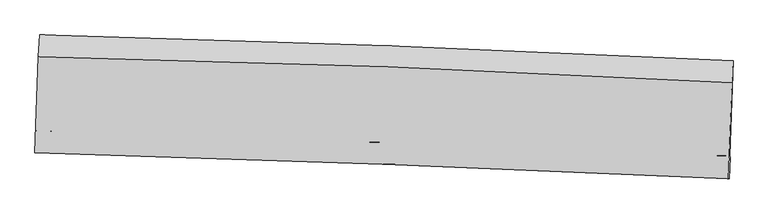
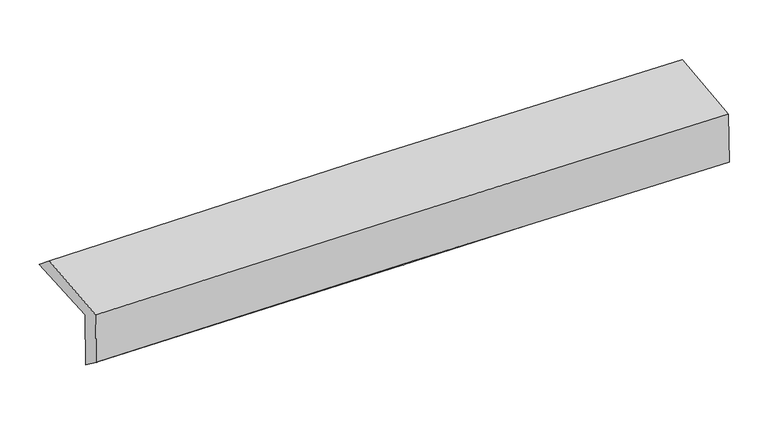
"""IFC4 building model written with IfcOpenShell, lengths in millimetres: proxy geometry."""

from ifc_helpers import new_model, si_unit, frame, origin, place, context, project, spatial, source, transform, mapped, element, save
from ifc_brep_helpers import plane_surface, spline_curve, spline_surface, advanced_brep


def generic_models_8d8ef0cd(model_context):
    return source(origin(), model_context, "Body", "AdvancedBrep", [
        advanced_brep(
        [(-2396.4014033, -1710.4098636, 2012.7225771), (-2371.6839319, -1053.3670898, 2013.5166799), (2386.2681468, -1229.5306232, 2090.151499), (2361.8467036, -1883.0142916, 2083.8126024), (-2390.8017496, -1709.3154461, 1602.7287244), (2367.0090951, -1891.9036668, 1678.534502), (-2397.9315797, -1858.3701797, 1714.8485456), (2359.9497079, -2040.5586953, 1788.0012698), (-2403.3057041, -1860.5284042, 2105.2541496), (2354.688373, -2039.9305668, 2177.7286198), (-2378.9619277, -1202.6892477, 2135.8228656), (2378.8397725, -1382.9471785, 2213.6603203)],
        [
            (0, 1),
            (1, 2, spline_curve(3, [(-2371.6839319, -1053.3670898, 2013.5166799), (-1574.819916736, -1073.884807185, 2011.842151913), (-778.231517209, -1098.904265007, 2017.448267376), (807.747927703, -1157.700273279, 2043.114230167), (1597.143554241, -1191.401993536, 2063.053054552), (2386.2681468, -1229.5306232, 2090.151499)], [4, 2, 4], [0.0, 7.844548828774865, 15.623626097386387])),
            (2, 3),
            (3, 0, spline_curve(3, [(2361.8467036, -1883.0142916, 2083.8126024), (1572.47832954, -1849.990524515, 2059.479056975), (782.935838666, -1819.14604361, 2041.386677143), (-803.143920342, -1761.574396421, 2017.584504101), (-1599.684131927, -1734.884068092, 2011.980209006), (-2396.4014033, -1710.4098636, 2012.7225771)], [4, 2, 4], [0.0, 7.7790772686115215, 15.623626097386387])),
            (4, 0),
            (3, 5),
            (5, 4, spline_curve(3, [(2367.0090951, -1891.9036668, 1678.534502), (1577.814101317, -1853.90384487, 1655.163671871), (788.394797429, -1819.73588574, 1637.164973857), (-797.53835896, -1758.808373576, 1611.80557335), (-1594.056003509, -1732.11359239, 1604.535678577), (-2390.8017496, -1709.3154461, 1602.7287244)], [4, 2, 4], [0.0, 7.779063794276295, 15.623599035310999])),
            (6, 4),
            (5, 7),
            (7, 6, spline_curve(3, [(2359.9497079, -2040.5586953, 1788.0012698), (1570.589188151, -2002.804280158, 1775.918761979), (781.080953363, -1968.79256872, 1763.807116451), (-804.876978718, -1907.999798237, 1739.42336747), (-1601.329173323, -1881.282004693, 1727.150771692), (-2397.9315797, -1858.3701797, 1714.8485456)], [4, 2, 4], [0.0, 7.778953491581652, 15.623377501573882])),
            (8, 6),
            (7, 9),
            (9, 8, spline_curve(3, [(2354.688373, -2039.9305668, 2177.7286198), (1565.271272257, -2003.567357001, 2165.982258735), (775.725308126, -1970.484417197, 2154.095439201), (-810.270539568, -1910.628248034, 2129.939656625), (-1606.722601009, -1883.910466877, 2117.668319585), (-2403.3057041, -1860.5284042, 2105.2541496)], [4, 2, 4], [0.0, 7.778918616622625, 15.623307458135415])),
            (10, 8),
            (9, 11),
            (11, 10, spline_curve(3, [(2378.8397725, -1382.9471785, 2213.6603203), (1589.739077188, -1339.404769257, 2199.549512117), (800.367875971, -1302.646469748, 2186.032337228), (-785.561451658, -1242.445817309, 2160.076484316), (-1582.124150446, -1219.118139608, 2147.647841217), (-2378.9619277, -1202.6892477, 2135.8228656)], [4, 2, 4], [0.0, 7.778920873783911, 15.623311991455083])),
            (1, 10),
            (11, 2),
        ],
        [
            spline_surface(3, 3, [[(-2396.4014033, -1710.4098636, 2012.7225771), (-1599.684131863, -1734.884068187, 2011.980208888), (-803.143920387, -1761.57439651, 2017.584504087), (782.93583871, -1819.146043522, 2041.386677157), (1572.47832955, -1849.990524587, 2059.479057033), (2361.8467036, -1883.0142916, 2083.8126024)], [(-2388.162246158, -1491.395605665, 2012.987278047), (-1591.396060153, -1514.550981202, 2011.934189929), (-794.839785949, -1540.684352672, 2017.539091845), (791.206535051, -1598.664120127, 2041.962528159), (1580.700071147, -1630.461014201, 2060.67038951), (2369.987184696, -1665.186402135, 2085.92556792)], [(-2379.923089042, -1272.381347735, 2013.251978953), (-1583.107988468, -1294.217894223, 2011.88817093), (-786.535651593, -1319.79430881, 2017.493679611), (799.477231309, -1378.182196708, 2042.538379171), (1588.921812655, -1410.93150381, 2061.861722027), (2378.127665704, -1447.358512665, 2088.03853348)], [(-2371.6839319, -1053.3670898, 2013.5166799), (-1574.819916758, -1073.884807238, 2011.842151971), (-778.231517155, -1098.904264973, 2017.44826737), (807.74792765, -1157.700273313, 2043.114230173), (1597.143554252, -1191.401993425, 2063.053054504), (2386.2681468, -1229.5306232, 2090.151499)]], [4, 4], [4, 2, 4], [0.0, 2.17365519661301], [0.0, 7.844548828774865, 15.623626097386387]),
            spline_surface(3, 3, [[(-2390.8017496, -1709.3154461, 1602.7287244), (-1594.056003611, -1732.113592326, 1604.535678581), (-797.538359071, -1758.808373463, 1611.805573238), (788.394797538, -1819.735885852, 1637.164973968), (1577.814101208, -1853.903844934, 1655.163671848), (2367.0090951, -1891.9036668, 1678.534502)], [(-2392.668300838, -1709.680251945, 1739.393341976), (-1595.932046366, -1733.037084291, 1740.350522026), (-799.406879515, -1759.730381131, 1747.065216842), (786.575144591, -1819.539271727, 1771.905541686), (1576.035510631, -1852.599404796, 1789.935466933), (2365.28829791, -1888.940541711, 1813.627202157)], [(-2394.534852062, -1710.045057755, 1876.057959524), (-1597.808089108, -1733.960576222, 1876.165365444), (-801.275399943, -1760.652388842, 1882.324860482), (784.755491658, -1819.342657646, 1906.646109439), (1574.256920126, -1851.294964725, 1924.707261948), (2363.56750079, -1885.977416689, 1948.719902243)], [(-2396.4014033, -1710.4098636, 2012.7225771), (-1599.684131863, -1734.884068187, 2011.980208888), (-803.143920387, -1761.57439651, 2017.584504087), (782.93583871, -1819.146043522, 2041.386677157), (1572.47832955, -1849.990524587, 2059.479057033), (2361.8467036, -1883.0142916, 2083.8126024)]], [4, 4], [4, 2, 4], [0.0, 1.328891663639517], [0.0, 7.844535241034704, 15.623599035310999]),
            spline_surface(3, 3, [[(-2397.9315797, -1858.3701797, 1714.8485456), (-1601.329173358, -1881.282004612, 1727.150771816), (-804.876978827, -1907.999798357, 1739.423367531), (781.080953471, -1968.792568601, 1763.807116391), (1570.589188128, -2002.804280057, 1775.918762084), (2359.9497079, -2040.5586953, 1788.0012698)], [(-2395.554969661, -1808.685268507, 1677.475271839), (-1598.904783436, -1831.559200524, 1686.279074044), (-802.430772257, -1858.269323388, 1696.884102785), (783.518901478, -1919.10700768, 1721.593068934), (1572.9974925, -1953.170801698, 1735.667065313), (2362.302836978, -1991.007019148, 1751.512347175)], [(-2393.178359639, -1759.000357293, 1640.101998161), (-1596.480393533, -1781.836396414, 1645.407376354), (-799.98456564, -1808.538848433, 1654.344837984), (785.956849532, -1869.421446773, 1679.379021424), (1575.405796836, -1903.537323294, 1695.415368619), (2364.655966022, -1941.455342952, 1715.023424625)], [(-2390.8017496, -1709.3154461, 1602.7287244), (-1594.056003611, -1732.113592326, 1604.535678581), (-797.538359071, -1758.808373463, 1611.805573238), (788.394797538, -1819.735885852, 1637.164973968), (1577.814101208, -1853.903844934, 1655.163671848), (2367.0090951, -1891.9036668, 1678.534502)]], [4, 4], [4, 2, 4], [0.0, 0.6433694493369829], [0.0, 7.84442400999223, 15.623377501573882]),
            spline_surface(3, 3, [[(-2403.3057041, -1860.5284042, 2105.2541496), (-1606.722600946, -1883.910466894, 2117.668319585), (-810.270539443, -1910.628248042, 2129.939656684), (775.725308002, -1970.484417189, 2154.095439142), (1565.271272207, -2003.567356881, 2165.982258823), (2354.688373, -2039.9305668, 2177.7286198)], [(-2401.5143293, -1859.808996038, 1975.118948272), (-1604.92479175, -1883.034312805, 1987.495803668), (-808.472685886, -1909.752098152, 1999.767560281), (777.510523177, -1969.920467665, 2023.999331539), (1567.043910856, -2003.31299793, 2035.961093268), (2356.442151309, -2040.139942957, 2047.819503158)], [(-2399.7229545, -1859.089587862, 1844.983746928), (-1603.126982553, -1882.158158701, 1857.323287734), (-806.674832384, -1908.875948247, 1869.595463935), (779.295738296, -1969.356518125, 1893.903223993), (1568.816549479, -2003.058639008, 1905.939927638), (2358.195929591, -2040.349319143, 1917.910386442)], [(-2397.9315797, -1858.3701797, 1714.8485456), (-1601.329173358, -1881.282004612, 1727.150771816), (-804.876978827, -1907.999798357, 1739.423367531), (781.080953471, -1968.792568601, 1763.807116391), (1570.589188128, -2002.804280057, 1775.918762084), (2359.9497079, -2040.5586953, 1788.0012698)]], [4, 4], [4, 2, 4], [0.0, 1.2809916290365355], [0.0, 7.84438884151279, 15.623307458135415]),
            spline_surface(3, 3, [[(-2378.9619277, -1202.6892477, 2135.8228656), (-1582.124150511, -1219.118139668, 2147.647841116), (-785.561451607, -1242.44581724, 2160.076484404), (800.367875921, -1302.646469816, 2186.032337141), (1589.739077134, -1339.404769205, 2199.549512117), (2378.8397725, -1382.9471785, 2213.6603203)], [(-2387.076519852, -1421.968966511, 2125.633293607), (-1590.323634008, -1440.715582054, 2137.65466728), (-793.797814221, -1465.173294164, 2150.030875182), (792.153686613, -1525.25911893, 2175.386704493), (1581.58314216, -1560.792298435, 2188.360427684), (2370.789306002, -1601.941641272, 2201.683086799)], [(-2395.191111948, -1641.248685389, 2115.443721593), (-1598.523117448, -1662.313024508, 2127.661493421), (-802.034176829, -1687.900771118, 2139.985265906), (783.93949731, -1747.871768075, 2164.74107179), (1573.42720718, -1782.179827651, 2177.171343255), (2362.738839498, -1820.936104028, 2189.705853301)], [(-2403.3057041, -1860.5284042, 2105.2541496), (-1606.722600946, -1883.910466894, 2117.668319585), (-810.270539443, -1910.628248042, 2129.939656684), (775.725308002, -1970.484417189, 2154.095439142), (1565.271272207, -2003.567356881, 2165.982258823), (2354.688373, -2039.9305668, 2177.7286198)]], [4, 4], [4, 2, 4], [0.0, 2.1954948739559987], [0.0, 7.844391117671171, 15.623311991455083]),
            spline_surface(3, 3, [[(-2371.6839319, -1053.3670898, 2013.5166799), (-1574.819916758, -1073.884807238, 2011.842151971), (-778.231517155, -1098.904264973, 2017.44826737), (807.74792765, -1157.700273313, 2043.114230173), (1597.143554252, -1191.401993425, 2063.053054504), (2386.2681468, -1229.5306232, 2090.151499)], [(-2374.10993049, -1103.141142435, 2054.285408459), (-1577.254661333, -1122.295918049, 2057.110715011), (-780.674828663, -1146.751449078, 2064.991006378), (805.287910383, -1206.015672163, 2090.75359916), (1594.675395184, -1240.736252029, 2108.5518737), (2383.792022005, -1280.669474977, 2131.321106092)], [(-2376.53592911, -1152.915195065, 2095.054137041), (-1579.689405937, -1170.707028856, 2102.379278076), (-783.1181401, -1194.598633135, 2112.533745395), (802.827893188, -1254.331070966, 2138.392968154), (1592.207236202, -1290.070510601, 2154.050692921), (2381.315897295, -1331.808326723, 2172.490713208)], [(-2378.9619277, -1202.6892477, 2135.8228656), (-1582.124150511, -1219.118139668, 2147.647841116), (-785.561451607, -1242.44581724, 2160.076484404), (800.367875921, -1302.646469816, 2186.032337141), (1589.739077134, -1339.404769205, 2199.549512117), (2378.8397725, -1382.9471785, 2213.6603203)]], [4, 4], [4, 2, 4], [0.0, 0.6662807939521261], [0.0, 7.844444176335163, 15.623417665948992]),
            plane_surface(frame((2368.1002998, -1744.6475037, 2005.3148022), z_axis=(0.9992057775820247, -0.03747291424428499, 0.013549713825104353), x_axis=(0.013498792733051618, -0.001611563635675867, -0.9999075884587527))),
            plane_surface(frame((-2389.8477161, -1565.7800385, 1930.8155904), z_axis=(-0.9992008356159572, 0.037605581371282074, -0.013546599355591502), x_axis=(-0.03759265413864741, -0.9992924165147079, -0.0012077462513892469))),
        ],
        [
            (0, [[1, 2, 3, 4]]),
            (1, [[5, -4, 6, 7]]),
            (2, [[8, -7, 9, 10]]),
            (3, [[11, -10, 12, 13]]),
            (4, [[14, -13, 15, 16]]),
            (5, [[17, -16, 18, -2]]),
            (6, [[-12, -9, -6, -3, -18, -15]]),
            (7, [[-1, -5, -8, -11, -14, -17]]),
        ],
    ),
    ])


if __name__ == "__main__":
    model = new_model("IFC4")
    model_context = context("Model", 3, world=origin())
    ifc_project = project(units=[si_unit("LENGTHUNIT", "METRE", prefix="MILLI")], contexts=[model_context])
    site = spatial("IfcSite", under=ifc_project)
    building = spatial("IfcBuilding", under=site)
    placement = place(None, origin())
    generic_models_shape = generic_models_8d8ef0cd(model_context)
    element("IfcBuildingElementProxy", 1, Name="Generic Models", at=placement, inside=building, context=model_context, shape_type="MappedRepresentation", body=[
        mapped(generic_models_shape, transform((0.0, 0.0, 0.0), x_axis=(1.0, 0.0, 0.0), y_axis=(0.0, 1.0, 0.0), z_axis=(0.0, 0.0, 1.0))),
    ])
    save(model, "model.ifc")
